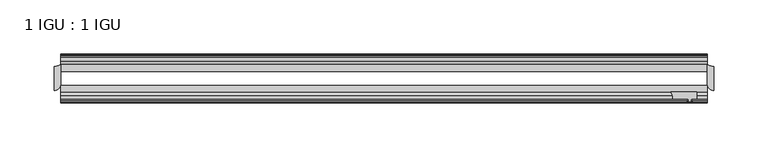
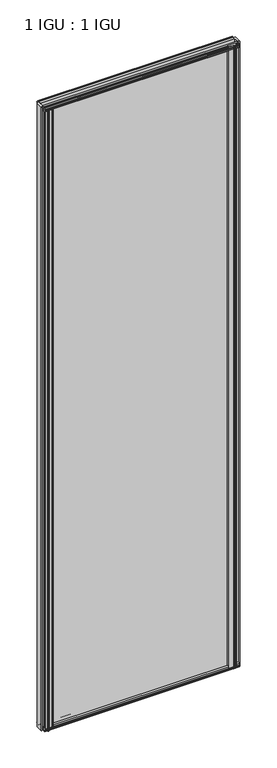
"""IFC4 building model written with IfcOpenShell, lengths in millimetres: plate geometry, 1 IGU : 1 IGU."""

from ifc_helpers import new_model, si_unit, point, frame, frame_2d, origin, place, context, project, spatial, polyline, circle_curve, trimmed, segment, composite_curve, outline, extrude, source, transform, mapped, element, save


def plate_1_igu_1_igu_9ece2557(model_context):
    return source(origin(), model_context, "Body", "SweptSolid", [
        extrude(outline(composite_curve([segment(trimmed(circle_curve(frame_2d((-304.8, -9.2004624)), 12.1389698), [point((-304.8, -21.3394322))], [point((-298.45, -19.5460937))], True, "CARTESIAN"), True, "CONTINUOUS"), segment(polyline([(-298.45, -19.5460937), (-298.45, -37.2144322)]), True, "CONTINUOUS"), segment(trimmed(circle_curve(frame_2d((-304.8, -37.2144322)), 6.35), [point((-298.45, -37.2144322))], [point((-304.8, -43.5644322))], False, "CARTESIAN"), True, "CONTINUOUS"), segment(polyline([(-304.8, -43.5644322), (-304.8, -21.3394322)]), True, "CONTINUOUS")], self_intersect=False)), frame((0.0, 0.0, -12.4587), z_axis=(0.0, 0.0, 1.0), x_axis=(1.0, 0.0, 0.0)), (0.0, 0.0, 1.0), 2018.8173999),
        extrude(outline(composite_curve([segment(polyline([(304.8, -21.3394322), (304.8, -43.5644322)]), True, "CONTINUOUS"), segment(trimmed(circle_curve(frame_2d((304.8, -37.2144322)), 6.35), [point((304.8, -43.5644322))], [point((298.45, -37.2144322))], False, "CARTESIAN"), True, "CONTINUOUS"), segment(polyline([(298.45, -37.2144322), (298.45, -19.5460938)]), True, "CONTINUOUS"), segment(trimmed(circle_curve(frame_2d((304.8, -9.2004624)), 12.1389698), [point((298.45, -19.5460938))], [point((304.8, -21.3394322))], True, "CARTESIAN"), True, "CONTINUOUS")], self_intersect=False)), frame((0.0, 0.0, -12.4587), z_axis=(0.0, 0.0, 1.0), x_axis=(1.0, 0.0, 0.0)), (0.0, 0.0, 1.0), 2018.8173999),
        extrude(outline(composite_curve([segment(polyline([(-295.275, -44.9460937), (-271.1867558, -44.9460937)]), True, "CONTINUOUS"), segment(trimmed(circle_curve(frame_2d((-264.2743721, -50.4227155)), 8.8189814), [point((-271.1867558, -44.9460937))], [point((-273.05, -51.2960937))], True, "CARTESIAN"), True, "CONTINUOUS"), segment(polyline([(-273.05, -51.2960937), (-287.655, -51.2960937), (-287.9725, -53.4006957), (-286.7538941, -53.0741712), (-286.5501, -53.8347412), (-288.925, -54.4710937), (-291.2999, -53.8347412), (-291.0961059, -53.0741712), (-289.8775, -53.4006957), (-290.195, -51.2960937), (-295.275, -51.2960937), (-295.275, -44.9460937)]), True, "CONTINUOUS")], self_intersect=False)), frame((0.0, 0.0, -12.4587), z_axis=(0.0, 0.0, 1.0), x_axis=(1.0, 0.0, 0.0)), (0.0, 0.0, 1.0), 2006.1173999),
        extrude(outline(composite_curve([segment(polyline([(264.8367558, -44.9460938), (288.925, -44.9460938), (288.925, -51.2960938), (283.845, -51.2960938), (283.5275, -53.4006957), (284.7461059, -53.0741712), (284.9499, -53.8347412), (282.575, -54.4710938), (280.2001, -53.8347412), (280.4038941, -53.0741712), (281.6225, -53.4006957), (281.305, -51.2960938), (266.7, -51.2960938)]), True, "CONTINUOUS"), segment(trimmed(circle_curve(frame_2d((257.9243721, -50.4227155)), 8.8189814), [point((266.7, -51.2960938))], [point((264.8367558, -44.9460938))], True, "CARTESIAN"), True, "CONTINUOUS")], self_intersect=False)), frame((0.0, 0.0, -9.0482291), z_axis=(0.0, 0.0, 1.0), x_axis=(1.0, 0.0, 0.0)), (0.0, 0.0, 1.0), 2015.406929),
        extrude(outline(polyline([(-10.4746158, -4.6931709), (-9.7670937, -6.8707), (-10.4746158, -9.0482291), (-11.27583, -9.0482291), (-10.8158968, -7.6327), (-13.1960937, -8.0137), (-13.1960937, -12.4587), (-16.1424937, -12.4587), (-19.5460937, -9.6243578), (-19.5460937, 1.1970181), (-13.1960937, -0.5207), (-13.1960937, -5.7277), (-10.8158968, -6.1087), (-11.27583, -4.6931709), (-10.4746158, -4.6931709)])), frame((-298.45, 0.0, 0.0), z_axis=(1.0, 0.0, 0.0), x_axis=(0.0, 1.0, 0.0)), (0.0, 0.0, 1.0), 596.9),
        extrude(outline(polyline([(-44.9460937, 1.7177181), (-44.9460937, -9.1036578), (-48.3496937, -11.938), (-51.2960937, -11.938), (-51.2960937, -7.493), (-53.6762907, -7.112), (-53.2163575, -8.5275291), (-54.0175717, -8.5275291), (-54.7250937, -6.35), (-54.0175717, -4.1724709), (-53.2163575, -4.1724709), (-53.6762907, -5.588), (-51.2960937, -5.207), (-51.2960937, 0.0), (-44.9460937, 1.7177181)])), frame((-298.45, 0.0, 0.0), z_axis=(1.0, 0.0, 0.0), x_axis=(0.0, 1.0, 0.0)), (0.0, 0.0, 1.0), 596.9),
        extrude(outline(polyline([(-10.8158968, 2001.5326999), (-11.27583, 2002.948229), (-10.4746158, 2002.948229), (-9.7670937, 2000.7706999), (-10.4746158, 1998.5931709), (-11.27583, 1998.5931709), (-10.8158968, 2000.0086999), (-13.1960937, 1999.6276999), (-13.1960937, 1994.4206999), (-19.5460938, 1992.7029819), (-19.5460938, 2003.5243578), (-16.1424937, 2006.3586999), (-13.1960937, 2006.3586999), (-13.1960937, 2001.9136999), (-10.8158968, 2001.5326999)])), frame((-298.45, 0.0, 0.0), z_axis=(1.0, 0.0, 0.0), x_axis=(0.0, 1.0, 0.0)), (0.0, 0.0, 1.0), 596.9),
        extrude(outline(polyline([(-51.2960937, 2005.8379999), (-48.3496937, 2005.8379999), (-44.9460938, 2003.0036578), (-44.9460938, 1992.1822819), (-51.2960937, 1993.8999999), (-51.2960937, 1999.1069999), (-53.6762907, 1999.4879999), (-53.2163575, 1998.0724709), (-54.0175717, 1998.0724709), (-54.7250937, 2000.2499999), (-54.0175717, 2002.427529), (-53.2163575, 2002.427529), (-53.6762907, 2001.0119999), (-51.2960937, 2001.3929999), (-51.2960937, 2005.8379999)])), frame((-298.45, 0.0, 0.0), z_axis=(1.0, 0.0, 0.0), x_axis=(0.0, 1.0, 0.0)), (0.0, 0.0, 1.0), 596.9),
        extrude(outline(polyline([(-298.45, -38.9186738), (298.45, -38.9186738), (298.45, -44.9460937), (-298.45, -44.9460937), (-298.45, -38.9186738)])), frame((0.0, 0.0, -12.7), z_axis=(0.0, 0.0, 1.0), x_axis=(1.0, 0.0, 0.0)), (0.0, 0.0, 1.0), 2019.2999999),
        extrude(outline(polyline([(-298.45, -19.5460937), (298.45, -19.5460937), (298.45, -25.8960938), (-298.45, -25.8960938), (-298.45, -19.5460937)])), frame((0.0, 0.0, -12.7), z_axis=(0.0, 0.0, 1.0), x_axis=(1.0, 0.0, 0.0)), (0.0, 0.0, 1.0), 2019.2999999),
    ])


if __name__ == "__main__":
    model = new_model("IFC4")
    model_context = context("Model", 3, world=origin())
    ifc_project = project(units=[si_unit("LENGTHUNIT", "METRE", prefix="MILLI")], contexts=[model_context])
    site = spatial("IfcSite", under=ifc_project)
    building = spatial("IfcBuilding", under=site)
    placement = place(None, origin())
    plate_1_igu_1_igu_shape = plate_1_igu_1_igu_9ece2557(model_context)
    element("IfcPlate", 1, ObjectType="1 IGU : 1 IGU", at=placement, inside=building, context=model_context, shape_type="MappedRepresentation", body=[
        mapped(plate_1_igu_1_igu_shape, transform((0.0, 0.0, 0.0), x_axis=(1.0, 0.0, 0.0), y_axis=(0.0, 1.0, 0.0), z_axis=(0.0, 0.0, 1.0))),
    ])
    save(model, "model.ifc")
